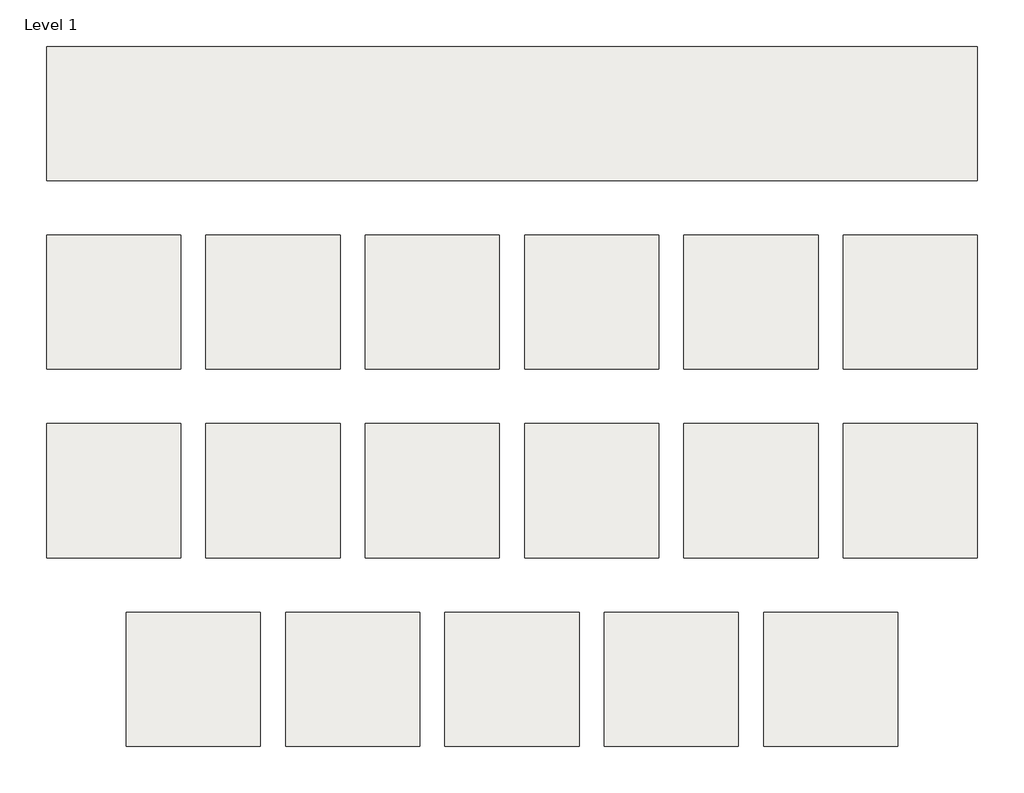
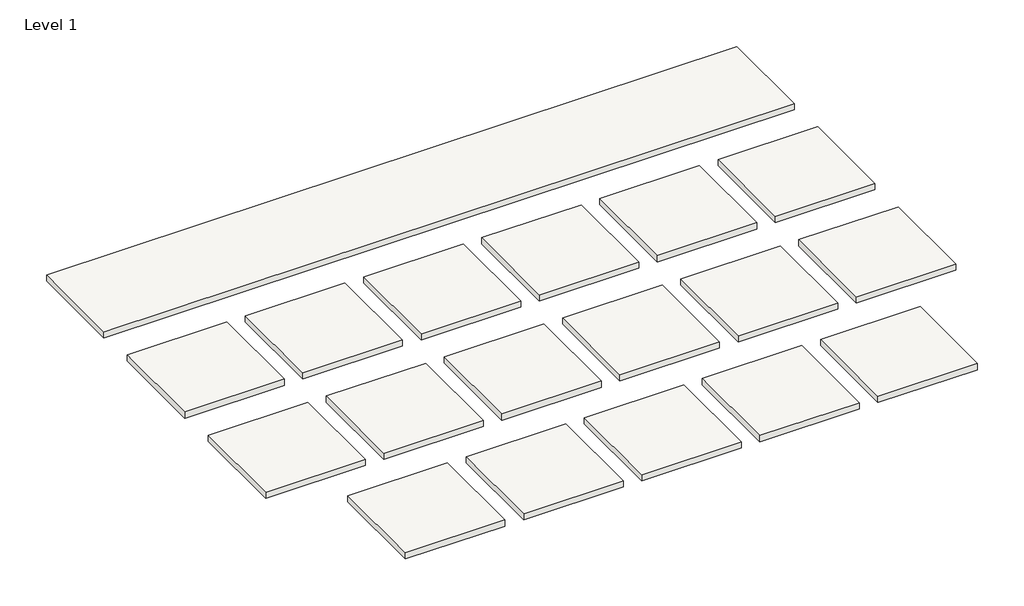
# One storey: 18 slabs.
"""IFC4 building model written with IfcOpenShell, lengths in millimetres."""

from ifc_helpers import new_model, si_unit, frame, origin, place, context, project, spatial, polyline, outline, extrude, element, save

model = new_model("IFC4")

# Units and contexts
model_context = context("Model", 3, world=origin())
ifc_project = project(units=[si_unit("LENGTHUNIT", "METRE", prefix="MILLI")], contexts=[model_context])

# Site, building, storey
site = spatial("IfcSite", under=ifc_project)
building = spatial("IfcBuilding", under=site)
storey = spatial("IfcBuildingStorey", under=building, Name="Level 1", Elevation=0.0)

# Slabs
placement = place(None, origin())
element("IfcSlab", 1, at=placement, inside=storey, context=model_context, shape_type="SweptSolid", body=[
    extrude(outline(polyline([(-4933.2587959, 187.406276), (-4933.2587959, 1406.606276), (-3714.0587959, 1406.606276), (-3714.0587959, 187.406276), (-4933.2587959, 187.406276)])), frame((0.0, 0.0, -79.375), z_axis=(0.0, 0.0, 1.0), x_axis=(1.0, 0.0, 0.0)), (0.0, 0.0, 1.0), 79.375),
])
element("IfcSlab", 2, at=placement, inside=storey, context=model_context, shape_type="SweptSolid", body=[
    extrude(outline(polyline([(-2266.2587959, 187.406276), (-3485.4587959, 187.406276), (-3485.4587959, 1406.606276), (-2266.2587959, 1406.606276), (-2266.2587959, 187.406276)])), frame((0.0, 0.0, -79.375), z_axis=(0.0, 0.0, 1.0), x_axis=(1.0, 0.0, 0.0)), (0.0, 0.0, 1.0), 79.375),
])
element("IfcSlab", 3, at=placement, inside=storey, context=model_context, shape_type="SweptSolid", body=[
    extrude(outline(polyline([(-818.4587959, 1406.606276), (-818.4587959, 187.406276), (-2037.6587959, 187.406276), (-2037.6587959, 1406.606276), (-818.4587959, 1406.606276)])), frame((0.0, 0.0, -79.375), z_axis=(0.0, 0.0, 1.0), x_axis=(1.0, 0.0, 0.0)), (0.0, 0.0, 1.0), 79.375),
])
element("IfcSlab", 4, at=placement, inside=storey, context=model_context, shape_type="SweptSolid", body=[
    extrude(outline(polyline([(629.3412041, 1406.606276), (629.3412041, 187.406276), (-589.8587959, 187.406276), (-589.8587959, 1406.606276), (629.3412041, 1406.606276)])), frame((0.0, 0.0, -79.375), z_axis=(0.0, 0.0, 1.0), x_axis=(1.0, 0.0, 0.0)), (0.0, 0.0, 1.0), 79.375),
])
element("IfcSlab", 5, at=placement, inside=storey, context=model_context, shape_type="SweptSolid", body=[
    extrude(outline(polyline([(2077.1412041, 1406.606276), (2077.1412041, 187.406276), (857.9412041, 187.406276), (857.9412041, 1406.606276), (2077.1412041, 1406.606276)])), frame((0.0, 0.0, -79.375), z_axis=(0.0, 0.0, 1.0), x_axis=(1.0, 0.0, 0.0)), (0.0, 0.0, 1.0), 79.375),
])
element("IfcSlab", 6, at=placement, inside=storey, context=model_context, shape_type="SweptSolid", body=[
    extrude(outline(polyline([(3524.9412041, 1406.5845781), (3524.9412041, 187.3845781), (2305.7412041, 187.3845781), (2305.7412041, 1406.5845781), (3524.9412041, 1406.5845781)])), frame((0.0, 0.0, -79.375), z_axis=(0.0, 0.0, 1.0), x_axis=(1.0, 0.0, 0.0)), (0.0, 0.0, 1.0), 79.375),
])
element("IfcSlab", 7, at=placement, inside=storey, context=model_context, shape_type="SweptSolid", body=[
    extrude(outline(polyline([(-3714.0587959, -307.893724), (-3714.0587959, -1527.093724), (-4933.2587959, -1527.093724), (-4933.2587959, -307.893724), (-3714.0587959, -307.893724)])), frame((0.0, 0.0, -79.375), z_axis=(0.0, 0.0, 1.0), x_axis=(1.0, 0.0, 0.0)), (0.0, 0.0, 1.0), 79.375),
])
element("IfcSlab", 8, at=placement, inside=storey, context=model_context, shape_type="SweptSolid", body=[
    extrude(outline(polyline([(-2266.2587959, -307.893724), (-2266.2587959, -1527.093724), (-3485.4587959, -1527.093724), (-3485.4587959, -307.893724), (-2266.2587959, -307.893724)])), frame((0.0, 0.0, -79.375), z_axis=(0.0, 0.0, 1.0), x_axis=(1.0, 0.0, 0.0)), (0.0, 0.0, 1.0), 79.375),
])
element("IfcSlab", 9, at=placement, inside=storey, context=model_context, shape_type="SweptSolid", body=[
    extrude(outline(polyline([(-818.4587959, -307.893724), (-818.4587959, -1527.093724), (-2037.6587959, -1527.093724), (-2037.6587959, -307.893724), (-818.4587959, -307.893724)])), frame((0.0, 0.0, -79.375), z_axis=(0.0, 0.0, 1.0), x_axis=(1.0, 0.0, 0.0)), (0.0, 0.0, 1.0), 79.375),
])
element("IfcSlab", 10, at=placement, inside=storey, context=model_context, shape_type="SweptSolid", body=[
    extrude(outline(polyline([(629.3412041, -307.893724), (629.3412041, -1527.093724), (-589.8587959, -1527.093724), (-589.8587959, -307.893724), (629.3412041, -307.893724)])), frame((0.0, 0.0, -79.375), z_axis=(0.0, 0.0, 1.0), x_axis=(1.0, 0.0, 0.0)), (0.0, 0.0, 1.0), 79.375),
])
element("IfcSlab", 11, at=placement, inside=storey, context=model_context, shape_type="SweptSolid", body=[
    extrude(outline(polyline([(2077.1412041, -307.893724), (2077.1412041, -1527.093724), (857.9412041, -1527.093724), (857.9412041, -307.893724), (2077.1412041, -307.893724)])), frame((0.0, 0.0, -79.375), z_axis=(0.0, 0.0, 1.0), x_axis=(1.0, 0.0, 0.0)), (0.0, 0.0, 1.0), 79.375),
])
element("IfcSlab", 12, at=placement, inside=storey, context=model_context, shape_type="SweptSolid", body=[
    extrude(outline(polyline([(3524.9412041, -307.893724), (3524.9412041, -1527.093724), (2305.7412041, -1527.093724), (2305.7412041, -307.893724), (3524.9412041, -307.893724)])), frame((0.0, 0.0, -79.375), z_axis=(0.0, 0.0, 1.0), x_axis=(1.0, 0.0, 0.0)), (0.0, 0.0, 1.0), 79.375),
])
element("IfcSlab", 13, at=placement, inside=storey, context=model_context, shape_type="SweptSolid", body=[
    extrude(outline(polyline([(-2990.1587959, -2022.393724), (-2990.1587959, -3241.593724), (-4209.3587959, -3241.593724), (-4209.3587959, -2022.393724), (-2990.1587959, -2022.393724)])), frame((0.0, 0.0, -79.375), z_axis=(0.0, 0.0, 1.0), x_axis=(1.0, 0.0, 0.0)), (0.0, 0.0, 1.0), 79.375),
])
element("IfcSlab", 14, at=placement, inside=storey, context=model_context, shape_type="SweptSolid", body=[
    extrude(outline(polyline([(-1542.3587959, -2022.393724), (-1542.3587959, -3241.593724), (-2761.5587959, -3241.593724), (-2761.5587959, -2022.393724), (-1542.3587959, -2022.393724)])), frame((0.0, 0.0, -79.375), z_axis=(0.0, 0.0, 1.0), x_axis=(1.0, 0.0, 0.0)), (0.0, 0.0, 1.0), 79.375),
])
element("IfcSlab", 15, at=placement, inside=storey, context=model_context, shape_type="SweptSolid", body=[
    extrude(outline(polyline([(-94.5587959, -2022.393724), (-94.5587959, -3241.593724), (-1313.7587959, -3241.593724), (-1313.7587959, -2022.393724), (-94.5587959, -2022.393724)])), frame((0.0, 0.0, -79.375), z_axis=(0.0, 0.0, 1.0), x_axis=(1.0, 0.0, 0.0)), (0.0, 0.0, 1.0), 79.375),
])
element("IfcSlab", 16, at=placement, inside=storey, context=model_context, shape_type="SweptSolid", body=[
    extrude(outline(polyline([(1353.2412041, -2022.393724), (1353.2412041, -3241.593724), (134.0412041, -3241.593724), (134.0412041, -2022.393724), (1353.2412041, -2022.393724)])), frame((0.0, 0.0, -79.375), z_axis=(0.0, 0.0, 1.0), x_axis=(1.0, 0.0, 0.0)), (0.0, 0.0, 1.0), 79.375),
])
element("IfcSlab", 17, at=placement, inside=storey, context=model_context, shape_type="SweptSolid", body=[
    extrude(outline(polyline([(2801.0412041, -2022.393724), (2801.0412041, -3241.593724), (1581.8412041, -3241.593724), (1581.8412041, -2022.393724), (2801.0412041, -2022.393724)])), frame((0.0, 0.0, -79.375), z_axis=(0.0, 0.0, 1.0), x_axis=(1.0, 0.0, 0.0)), (0.0, 0.0, 1.0), 79.375),
])
element("IfcSlab", 18, at=placement, inside=storey, context=model_context, shape_type="SweptSolid", body=[
    extrude(outline(polyline([(-4933.2587959, 1901.906276), (-4933.2587959, 3121.106276), (3524.9412041, 3121.106276), (3524.9412041, 1901.906276), (-4933.2587959, 1901.906276)])), frame((0.0, 0.0, -79.375), z_axis=(0.0, 0.0, 1.0), x_axis=(1.0, 0.0, 0.0)), (0.0, 0.0, 1.0), 79.375),
])

save(model, "model.ifc")
